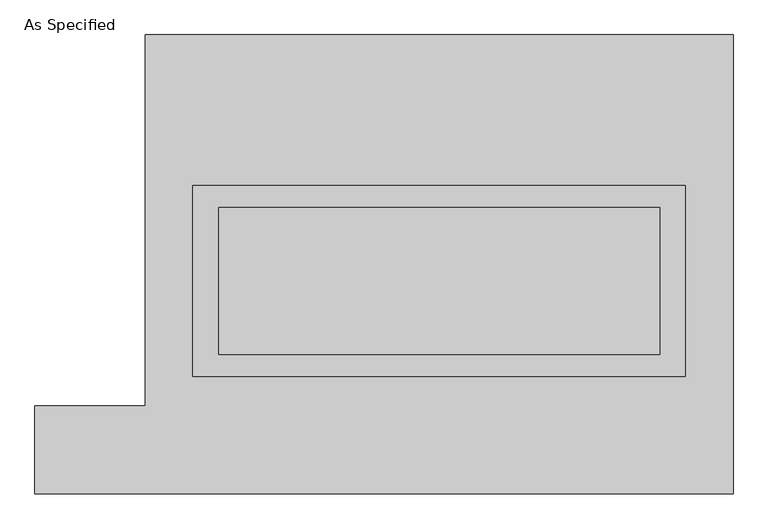
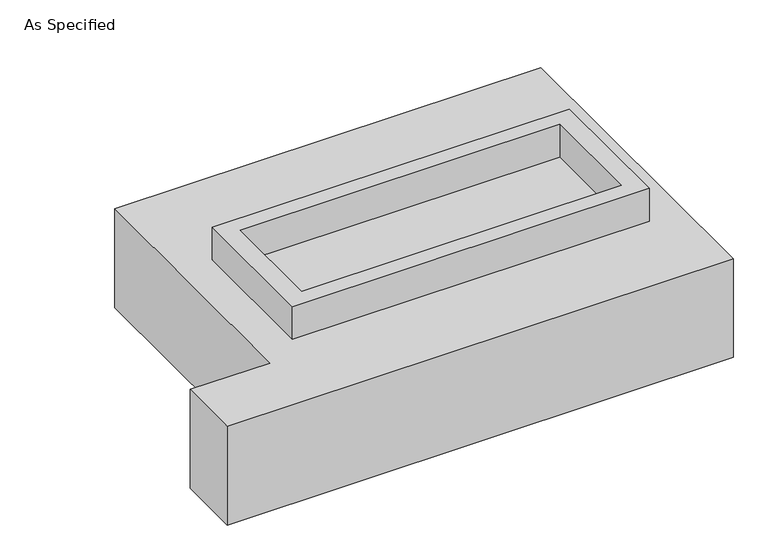
"""IFC4 building model written with IfcOpenShell, lengths in millimetres: proxy geometry, As Specified."""

from ifc_helpers import new_model, si_unit, frame, origin, place, context, project, spatial, polyline, outline, extrude, faceted_brep, source, transform, mapped, element, save


def as_specified_c18f1730(model_context):
    return source(origin(), model_context, "Body", "SolidModel", [
        extrude(outline(polyline([(850.9, 273.05), (850.9, -387.35), (-850.9, -387.35), (-850.9, 273.05), (850.9, 273.05)]), holes=[polyline([(762.0, 196.85), (-762.0, 196.85), (-762.0, -311.15), (762.0, -311.15), (762.0, 196.85)])]), frame((0.0, 0.0, -25.4), z_axis=(0.0, 0.0, 1.0), x_axis=(1.0, 0.0, 0.0)), (0.0, 0.0, 1.0), 165.1),
        extrude(outline(polyline([(762.0, 196.85), (762.0, -311.15), (-762.0, -311.15), (-762.0, 196.85), (762.0, 196.85)])), frame((0.0, 0.0, -30.3609375), z_axis=(0.0, 0.0, 1.0), x_axis=(1.0, 0.0, 0.0)), (0.0, 0.0, 1.0), 4.9609375),
        faceted_brep([(-1016.0, 793.75, -523.875), (1016.0, 793.75, -523.875), (1016.0, -793.75, -523.875), (-1397.0, -793.75, -523.875), (-1397.0, -488.95, -523.875), (-1016.0, -488.95, -523.875), (1016.0, 793.75, -25.4), (-1016.0, 793.75, -25.4), (-1016.0, -488.95, -25.4), (-1397.0, -488.95, -25.4), (-1397.0, -793.75, -25.4), (1016.0, -793.75, -25.4), (-850.9, -387.35, -25.4), (-850.9, 273.05, -25.4), (850.9, 273.05, -25.4), (850.9, -387.35, -25.4), (850.9, 273.05, -498.475), (-850.9, 273.05, -498.475), (-850.9, -387.35, -498.475), (850.9, -387.35, -498.475)], [[[0, 1, 2, 3, 4, 5]], [[6, 7, 8, 9, 10, 11], [12, 13, 14, 15]], [[1, 0, 7, 6]], [[7, 0, 5, 8]], [[1, 6, 11, 2]], [[16, 17, 18, 19]], [[18, 17, 13, 12]], [[17, 16, 14, 13]], [[16, 19, 15, 14]], [[12, 15, 19, 18]], [[3, 2, 11, 10]], [[5, 4, 9, 8]], [[4, 3, 10, 9]]]),
    ])


if __name__ == "__main__":
    model = new_model("IFC4")
    model_context = context("Model", 3, world=origin())
    ifc_project = project(units=[si_unit("LENGTHUNIT", "METRE", prefix="MILLI")], contexts=[model_context])
    site = spatial("IfcSite", under=ifc_project)
    building = spatial("IfcBuilding", under=site)
    placement = place(None, origin())
    as_specified_shape = as_specified_c18f1730(model_context)
    element("IfcBuildingElementProxy", 1, Name="As Specified", ObjectType="As Specified", at=placement, inside=building, context=model_context, shape_type="MappedRepresentation", body=[
        mapped(as_specified_shape, transform((0.0, 0.0, 0.0), x_axis=(1.0, 0.0, 0.0), y_axis=(0.0, 1.0, 0.0), z_axis=(0.0, 0.0, 1.0))),
    ])
    save(model, "model.ifc")
